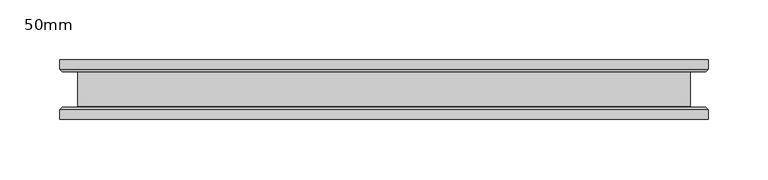
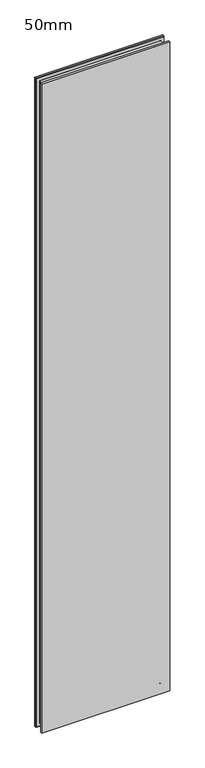
"""IFC4 building model written with IfcOpenShell, lengths in millimetres: plate geometry, 50mm."""

from ifc_helpers import new_model, si_unit, frame, origin, place, context, project, spatial, polyline, ellipse_curve, source, transform, mapped, element, save
from ifc_brep_helpers import plane_surface, revolved_surface, advanced_brep


def plate_50mm_6a977df7(model_context):
    return source(origin(), model_context, "Body", "AdvancedBrep", [
        advanced_brep(
        [(271.4921877, 25.0, 2900.0), (-271.4921877, 25.0, 2900.0), (-271.4921877, 17.0, 2900.0), (271.4921877, 17.0, 2900.0), (-271.4921877, -25.0, 2900.0), (271.4921877, -25.0, 2900.0), (271.4921877, -17.0, 2900.0), (-271.4921877, -17.0, 2900.0), (271.4921877, -25.0, -13.5), (-271.4921877, -25.0, -13.5), (-271.4921877, -17.0, -13.5), (271.4921877, -17.0, -13.5), (-271.4921877, 25.0, -13.5), (271.4921877, 25.0, -13.5), (271.4921877, 17.0, -13.5), (-271.4921877, 17.0, -13.5), (-269.4921877, -15.0, -11.5), (269.4921877, -15.0, -11.5), (-256.4921877, -14.4, 1.5), (256.4921877, -14.4, 1.5), (257.0921877, -15.0, 0.9), (-257.0921877, -15.0, 0.9), (-256.4921877, 14.4, 1.5), (256.4921877, 14.4, 1.5), (-257.0921877, 15.0, 0.9), (257.0921877, 15.0, 0.9), (269.4921877, 15.0, -11.5), (-269.4921877, 15.0, -11.5), (269.4921877, -15.0, 2898.0), (256.4921877, -14.4, 2885.0), (257.0921877, -15.0, 2885.6), (256.4921877, 14.4, 2885.0), (257.0921877, 15.0, 2885.6), (269.4921877, 15.0, 2898.0), (-269.4921877, -15.0, 2898.0), (-256.4921877, -14.4, 2885.0), (-257.0921877, -15.0, 2885.6), (-256.4921877, 14.4, 2885.0), (-257.0921877, 15.0, 2885.6), (-269.4921877, 15.0, 2898.0)],
        [
            (0, 1),
            (1, 2),
            (2, 3),
            (3, 0),
            (4, 5),
            (5, 6),
            (6, 7),
            (7, 4),
            (8, 9),
            (9, 10),
            (10, 11),
            (11, 8),
            (12, 13),
            (13, 14),
            (14, 15),
            (15, 12),
            (0, 13),
            (12, 1),
            (15, 2),
            (9, 4),
            (7, 10),
            (8, 5),
            (3, 14),
            (11, 6),
            (16, 17),
            (17, 11),
            (10, 16),
            (18, 19),
            (19, 20, ellipse_curve(frame((257.0921877, -14.4, 0.9), z_axis=(0.7071067811865475, 0.0, 0.7071067811865475), x_axis=(-0.7071067811865476, 0.0, 0.7071067811865474)), 0.8485281, 0.6)),
            (20, 21),
            (21, 18, ellipse_curve(frame((-257.0921877, -14.4, 0.9), z_axis=(-0.7071067811865475, 0.0, 0.7071067811865475), x_axis=(-0.7071067811865476, 0.0, -0.7071067811865474)), 0.8485281, 0.6)),
            (18, 22),
            (22, 23),
            (23, 19),
            (22, 24, ellipse_curve(frame((-257.0921877, 14.4, 0.9), z_axis=(-0.7071067811865475, 0.0, 0.7071067811865475), x_axis=(-0.7071067811865476, 0.0, -0.7071067811865474)), 0.8485281, 0.6)),
            (24, 25),
            (25, 23, ellipse_curve(frame((257.0921877, 14.4, 0.9), z_axis=(0.7071067811865475, 0.0, 0.7071067811865475), x_axis=(-0.7071067811865476, 0.0, 0.7071067811865474)), 0.8485281, 0.6)),
            (14, 26),
            (26, 27),
            (27, 15),
            (17, 28),
            (28, 6),
            (19, 29),
            (29, 30, ellipse_curve(frame((257.0921877, -14.4, 2885.6), z_axis=(-0.7071067811865475, 0.0, 0.7071067811865475), x_axis=(-0.7071067811865474, 0.0, -0.7071067811865476)), 0.8485281, 0.6)),
            (30, 20),
            (23, 31),
            (31, 29),
            (25, 32),
            (32, 31, ellipse_curve(frame((257.0921877, 14.4, 2885.6), z_axis=(-0.7071067811865475, 0.0, 0.7071067811865475), x_axis=(-0.7071067811865474, 0.0, -0.7071067811865476)), 0.8485281, 0.6)),
            (3, 33),
            (33, 26),
            (28, 34),
            (34, 7),
            (29, 35),
            (35, 36, ellipse_curve(frame((-257.0921877, -14.4, 2885.6), z_axis=(-0.7071067811865475, 0.0, -0.7071067811865475), x_axis=(0.7071067811865476, 0.0, -0.7071067811865474)), 0.8485281, 0.6)),
            (36, 30),
            (31, 37),
            (37, 35),
            (32, 38),
            (38, 37, ellipse_curve(frame((-257.0921877, 14.4, 2885.6), z_axis=(-0.7071067811865475, 0.0, -0.7071067811865475), x_axis=(0.7071067811865476, 0.0, -0.7071067811865474)), 0.8485281, 0.6)),
            (2, 39),
            (39, 33),
            (34, 16),
            (36, 21),
            (35, 18),
            (37, 22),
            (38, 24),
            (39, 27),
        ],
        [
            plane_surface(frame((-271.4921877, 25.0, 2900.0), z_axis=(0.0, 0.0, 1.0), x_axis=(-1.0, 0.0, 0.0))),
            plane_surface(frame((-271.4921877, 25.0, -13.5), z_axis=(0.0, 0.0, -1.0), x_axis=(1.0, 0.0, 0.0))),
            plane_surface(frame((271.4921877, 25.0, 2900.0), z_axis=(0.0, 1.0, 0.0), x_axis=(0.0, 0.0, -1.0))),
            plane_surface(frame((-271.4921877, 25.0, 2900.0), z_axis=(-1.0, 0.0, 0.0), x_axis=(0.0, 0.0, -1.0))),
            plane_surface(frame((-271.4921877, -25.0, 2900.0), z_axis=(0.0, -1.0, 0.0), x_axis=(0.0, 0.0, -1.0))),
            plane_surface(frame((271.4921877, -25.0, 2900.0), z_axis=(1.0, 0.0, 0.0), x_axis=(0.0, 0.0, -1.0))),
            plane_surface(frame((-271.4921877, -17.0, -13.5), z_axis=(0.0, 0.7071067811866751, -0.7071067811864199), x_axis=(1.0, 0.0, 0.0))),
            revolved_surface(polyline([(-257.6921876735374, -14.400000000002729, 1.5), (257.6921876735374, -14.400000000002729, 1.5)]), (-257.9921877, -14.4, 0.9), (-1.0, 0.0, 0.0)),
            plane_surface(frame((-256.4921877, -14.4, 1.5), z_axis=(0.0, 0.0, -1.0), x_axis=(1.0, 0.0, 0.0))),
            revolved_surface(polyline([(-257.6921876735374, 15.0, 0.9), (257.6921876735374, 15.0, 0.9)]), (-257.9921877, 14.4, 0.9), (-1.0, 0.0, 0.0)),
            plane_surface(frame((-269.4921877, 15.0, -11.5), z_axis=(0.0, -0.7071067811660012, -0.7071067812070939), x_axis=(1.0, 0.0, 0.0))),
            plane_surface(frame((271.4921877, -17.0, -13.5), z_axis=(0.7071067811864199, 0.7071067811866751, 0.0), x_axis=(0.0, 0.0, 1.0))),
            revolved_surface(polyline([(256.4921877, -14.400000000002729, 0.3000000264626632), (256.4921877, -14.400000000002729, 2886.199999973537)]), (257.0921877, -14.4, 0.0), (0.0, 0.0, -1.0)),
            plane_surface(frame((256.4921877, -14.4, 1.5), z_axis=(1.0, 0.0, 0.0), x_axis=(0.0, 0.0, 1.0))),
            revolved_surface(polyline([(257.0921877, 15.0, 0.3000000264626632), (257.0921877, 15.0, 2886.199999973537)]), (257.0921877, 14.4, 0.0), (0.0, 0.0, -1.0)),
            plane_surface(frame((269.4921877, 15.0, -11.5), z_axis=(0.7071067812070939, -0.7071067811660012, 0.0), x_axis=(0.0, 0.0, 1.0))),
            plane_surface(frame((271.4921877, -17.0, 2900.0), z_axis=(0.0, 0.7071067811866751, 0.7071067811864199), x_axis=(-1.0, 0.0, 0.0))),
            revolved_surface(polyline([(257.6921876735374, -14.400000000002729, 2885.0), (-257.6921876735374, -14.400000000002729, 2885.0)]), (257.9921877, -14.4, 2885.6), (1.0, 0.0, 0.0)),
            plane_surface(frame((256.4921877, -14.4, 2885.0), z_axis=(0.0, 0.0, 1.0), x_axis=(-1.0, 0.0, 0.0))),
            revolved_surface(polyline([(257.6921876735374, 15.0, 2885.6), (-257.6921876735374, 15.0, 2885.6)]), (257.9921877, 14.4, 2885.6), (1.0, 0.0, 0.0)),
            plane_surface(frame((269.4921877, 15.0, 2898.0), z_axis=(0.0, -0.7071067811660012, 0.7071067812070939), x_axis=(-1.0, 0.0, 0.0))),
            plane_surface(frame((-271.4921877, -17.0, 2900.0), z_axis=(-0.7071067811864199, 0.7071067811866751, 0.0), x_axis=(0.0, 0.0, -1.0))),
            plane_surface(frame((-269.4921877, -15.0, 2898.0), z_axis=(0.0, 1.0, 0.0), x_axis=(0.0, 0.0, -1.0))),
            revolved_surface(polyline([(-256.4921877, -14.400000000002729, 2886.199999973537), (-256.4921877, -14.400000000002729, 0.30000002646283974)]), (-257.0921877, -14.4, 2886.5), (0.0, 0.0, 1.0)),
            plane_surface(frame((-256.4921877, -14.4, 2885.0), z_axis=(-1.0, 0.0, 0.0), x_axis=(0.0, 0.0, -1.0))),
            revolved_surface(polyline([(-257.0921877, 15.0, 2886.199999973537), (-257.0921877, 15.0, 0.30000002646283974)]), (-257.0921877, 14.4, 2886.5), (0.0, 0.0, 1.0)),
            plane_surface(frame((-257.0921877, 15.0, 2885.6), z_axis=(0.0, -1.0, 0.0), x_axis=(0.0, 0.0, -1.0))),
            plane_surface(frame((-269.4921877, 15.0, 2898.0), z_axis=(-0.7071067812070939, -0.7071067811660012, 0.0), x_axis=(0.0, 0.0, -1.0))),
        ],
        [
            (0, [[1, 2, 3, 4]]),
            (0, [[5, 6, 7, 8]]),
            (1, [[9, 10, 11, 12]]),
            (1, [[13, 14, 15, 16]]),
            (2, [[-1, 17, -13, 18]]),
            (3, [[-18, -16, 19, -2]]),
            (3, [[20, -8, 21, -10]]),
            (4, [[-5, -20, -9, 22]]),
            (5, [[-17, -4, 23, -14]]),
            (5, [[-22, -12, 24, -6]]),
            (6, [[25, 26, -11, 27]]),
            (7, [[28, 29, 30, 31]]),
            (8, [[-28, 32, 33, 34]]),
            (9, [[-33, 35, 36, 37]]),
            (10, [[38, 39, 40, -15]]),
            (11, [[-26, 41, 42, -24]]),
            (12, [[-29, 43, 44, 45]]),
            (13, [[-34, 46, 47, -43]]),
            (14, [[-37, 48, 49, -46]]),
            (15, [[-38, -23, 50, 51]]),
            (16, [[-42, 52, 53, -7]]),
            (17, [[-44, 54, 55, 56]]),
            (18, [[-47, 57, 58, -54]]),
            (19, [[-49, 59, 60, -57]]),
            (20, [[-50, -3, 61, 62]]),
            (21, [[-27, -21, -53, 63]]),
            (22, [[-25, -63, -52, -41], [-30, -45, -56, 64]]),
            (23, [[-31, -64, -55, 65]]),
            (24, [[-32, -65, -58, 66]]),
            (25, [[-35, -66, -60, 67]]),
            (26, [[-39, -51, -62, 68], [-36, -67, -59, -48]]),
            (27, [[-40, -68, -61, -19]]),
        ],
    ),
    ])


if __name__ == "__main__":
    model = new_model("IFC4")
    model_context = context("Model", 3, world=origin())
    ifc_project = project(units=[si_unit("LENGTHUNIT", "METRE", prefix="MILLI")], contexts=[model_context])
    site = spatial("IfcSite", under=ifc_project)
    building = spatial("IfcBuilding", under=site)
    placement = place(None, origin())
    plate_50mm_shape = plate_50mm_6a977df7(model_context)
    element("IfcPlate", 1, ObjectType="50mm", at=placement, inside=building, context=model_context, shape_type="MappedRepresentation", body=[
        mapped(plate_50mm_shape, transform((0.0, 0.0, 0.0), x_axis=(1.0, 0.0, 0.0), y_axis=(0.0, 1.0, 0.0), z_axis=(0.0, 0.0, 1.0))),
    ])
    save(model, "model.ifc")
